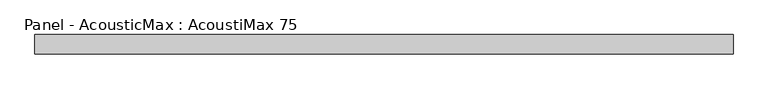
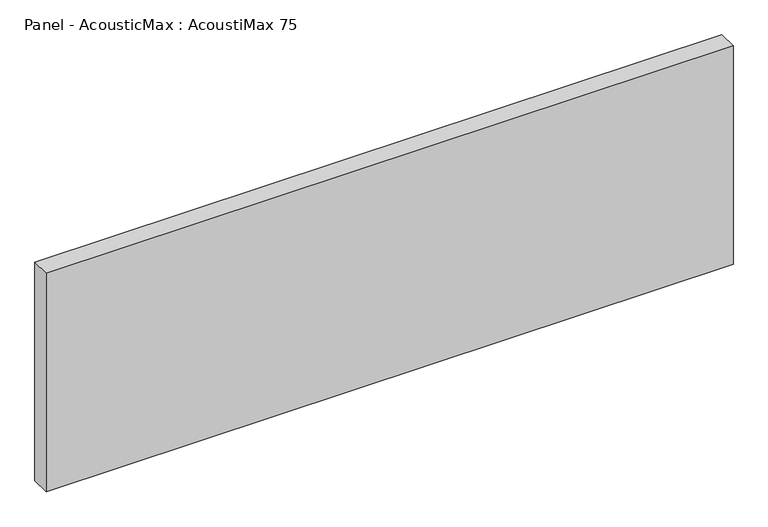
"""IFC4 building model written with IfcOpenShell, lengths in millimetres: plate geometry, Panel - AcousticMax : AcoustiMax 75."""

from ifc_helpers import new_model, si_unit, origin, origin_with_axes, place, context, project, spatial, polyline, outline, extrude, source, transform, mapped, element, save


def panel_acousticmax_acoustimax_75_206449c9(model_context):
    return source(origin(), model_context, "Body", "SweptSolid", [
        extrude(outline(polyline([(1341.0, 37.5), (1341.0, -37.5), (-1340.5, -37.5), (-1340.5, 37.5), (1341.0, 37.5)])), origin_with_axes(), (0.0, 0.0, 1.0), 900.0),
    ])


if __name__ == "__main__":
    model = new_model("IFC4")
    model_context = context("Model", 3, world=origin())
    ifc_project = project(units=[si_unit("LENGTHUNIT", "METRE", prefix="MILLI")], contexts=[model_context])
    site = spatial("IfcSite", under=ifc_project)
    building = spatial("IfcBuilding", under=site)
    placement = place(None, origin())
    panel_acousticmax_acoustimax_75_shape = panel_acousticmax_acoustimax_75_206449c9(model_context)
    element("IfcPlate", 1, ObjectType="Panel - AcousticMax : AcoustiMax 75", at=placement, inside=building, context=model_context, shape_type="MappedRepresentation", body=[
        mapped(panel_acousticmax_acoustimax_75_shape, transform((0.0, 0.0, 0.0), x_axis=(1.0, 0.0, 0.0), y_axis=(0.0, 1.0, 0.0), z_axis=(0.0, 0.0, 1.0))),
    ])
    save(model, "model.ifc")
